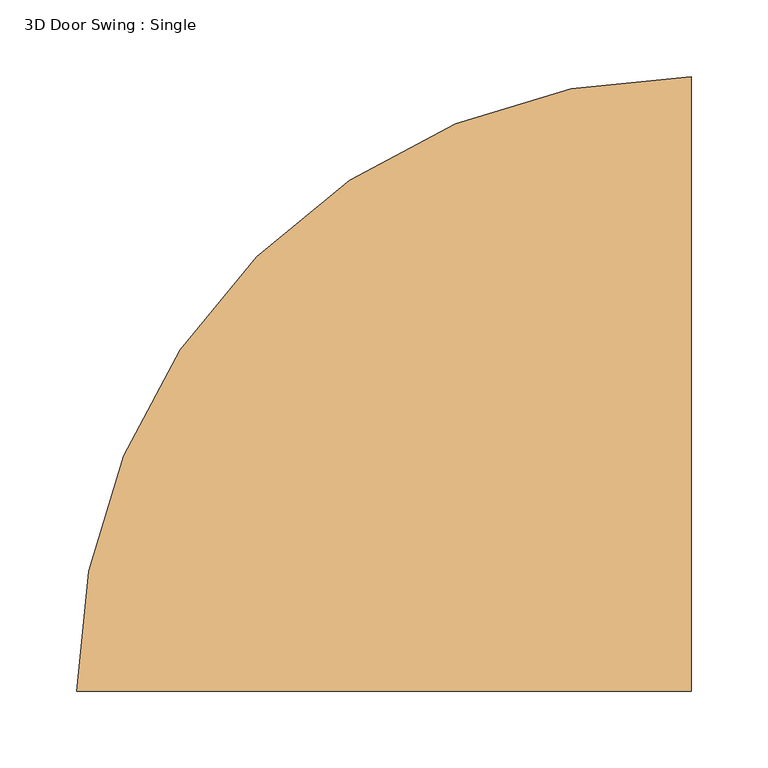
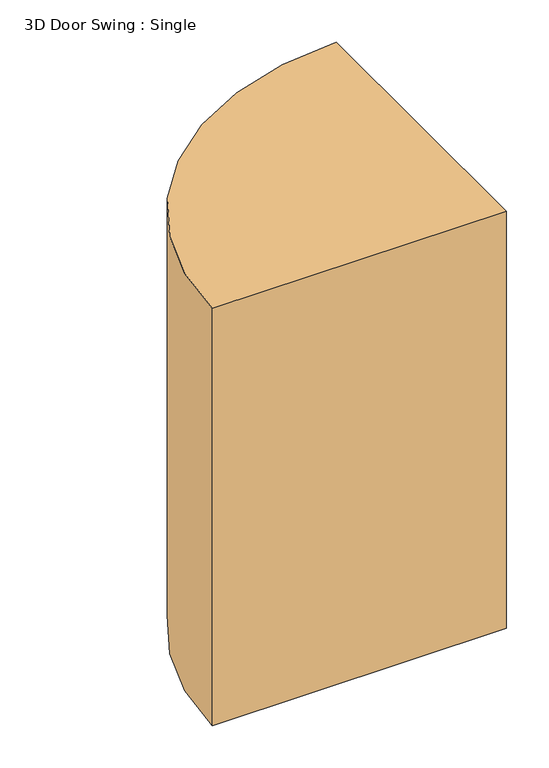
"""IFC4 building model written with IfcOpenShell, lengths in millimetres: door geometry, 3D Door Swing : Single."""

from ifc_helpers import new_model, si_unit, point, origin, origin_with_axes, origin_2d, place, context, project, spatial, polyline, circle_curve, trimmed, segment, composite_curve, outline, extrude, source, transform, mapped, element, save


def door_3d_door_swing_single_ab3bb700(model_context):
    return source(origin(), model_context, "Body", "SweptSolid", [
        extrude(outline(composite_curve([segment(trimmed(circle_curve(origin_2d(), 400.0), [point((-400.0, 0.0))], [point((0.0, 400.0))], False, "CARTESIAN"), True, "CONTINUOUS"), segment(polyline([(0.0, 400.0), (0.0, 0.0), (-400.0, 0.0)]), True, "CONTINUOUS")], self_intersect=False)), origin_with_axes(), (0.0, 0.0, 1.0), 600.0),
    ])


if __name__ == "__main__":
    model = new_model("IFC4")
    model_context = context("Model", 3, world=origin())
    ifc_project = project(units=[si_unit("LENGTHUNIT", "METRE", prefix="MILLI")], contexts=[model_context])
    site = spatial("IfcSite", under=ifc_project)
    building = spatial("IfcBuilding", under=site)
    placement = place(None, origin())
    door_3d_door_swing_single_shape = door_3d_door_swing_single_ab3bb700(model_context)
    element("IfcDoor", 1, ObjectType="3D Door Swing : Single", at=placement, inside=building, context=model_context, shape_type="MappedRepresentation", body=[
        mapped(door_3d_door_swing_single_shape, transform((0.0, 0.0, 0.0), x_axis=(1.0, 0.0, 0.0), y_axis=(0.0, 1.0, 0.0), z_axis=(0.0, 0.0, 1.0))),
    ])
    save(model, "model.ifc")
